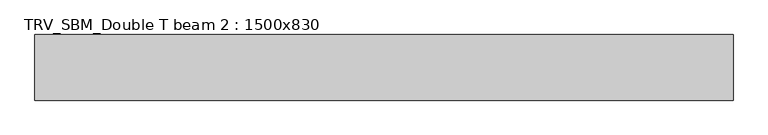
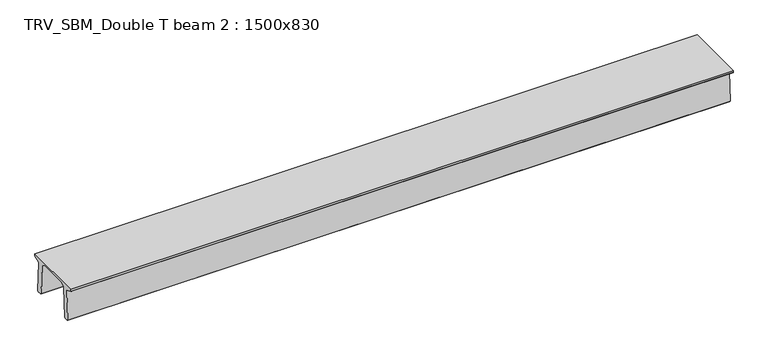
"""IFC4 building model written with IfcOpenShell, lengths in millimetres: beam geometry, TRV_SBM_Double T beam 2 : 1500x830."""

from ifc_helpers import new_model, si_unit, frame, origin, place, context, project, spatial, polyline, outline, extrude, source, transform, mapped, element, save


def trv_sbm_double_t_beam_2_1500x830_3b0a3901(model_context):
    return source(origin(), model_context, "Body", "SweptSolid", [
        extrude(outline(polyline([(337.4555014, 470.0), (-343.4555014, 470.0), (-456.5828437, 409.8491251), (-494.786332, -340.5206011), (-514.2657308, -360.0), (-604.2657308, -360.0), (-624.8277662, -339.4379646), (-586.9373878, 401.9654693), (-752.8511046, 468.9989621), (-753.0, 475.0), (-753.0, 520.0), (747.0, 520.0), (747.0, 475.0), (746.8511046, 468.9989621), (580.9373878, 401.9654693), (618.8277662, -339.4379646), (598.2657308, -360.0), (508.2657308, -360.0), (488.786332, -340.5206011), (450.5828437, 409.8491251), (337.4555014, 470.0)])), frame((-7975.5, 0.0, 0.0), z_axis=(1.0, 0.0, 0.0), x_axis=(0.0, 1.0, 0.0)), (0.0, 0.0, 1.0), 15951.0),
    ])


if __name__ == "__main__":
    model = new_model("IFC4")
    model_context = context("Model", 3, world=origin())
    ifc_project = project(units=[si_unit("LENGTHUNIT", "METRE", prefix="MILLI")], contexts=[model_context])
    site = spatial("IfcSite", under=ifc_project)
    building = spatial("IfcBuilding", under=site)
    placement = place(None, origin())
    trv_sbm_double_t_beam_2_1500x830_shape = trv_sbm_double_t_beam_2_1500x830_3b0a3901(model_context)
    element("IfcBeam", 1, ObjectType="TRV_SBM_Double T beam 2 : 1500x830", at=placement, inside=building, context=model_context, shape_type="MappedRepresentation", body=[
        mapped(trv_sbm_double_t_beam_2_1500x830_shape, transform((0.0, 0.0, 0.0), x_axis=(1.0, 0.0, 0.0), y_axis=(0.0, 1.0, 0.0), z_axis=(0.0, 0.0, 1.0))),
    ])
    save(model, "model.ifc")
